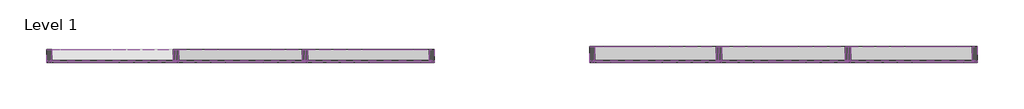
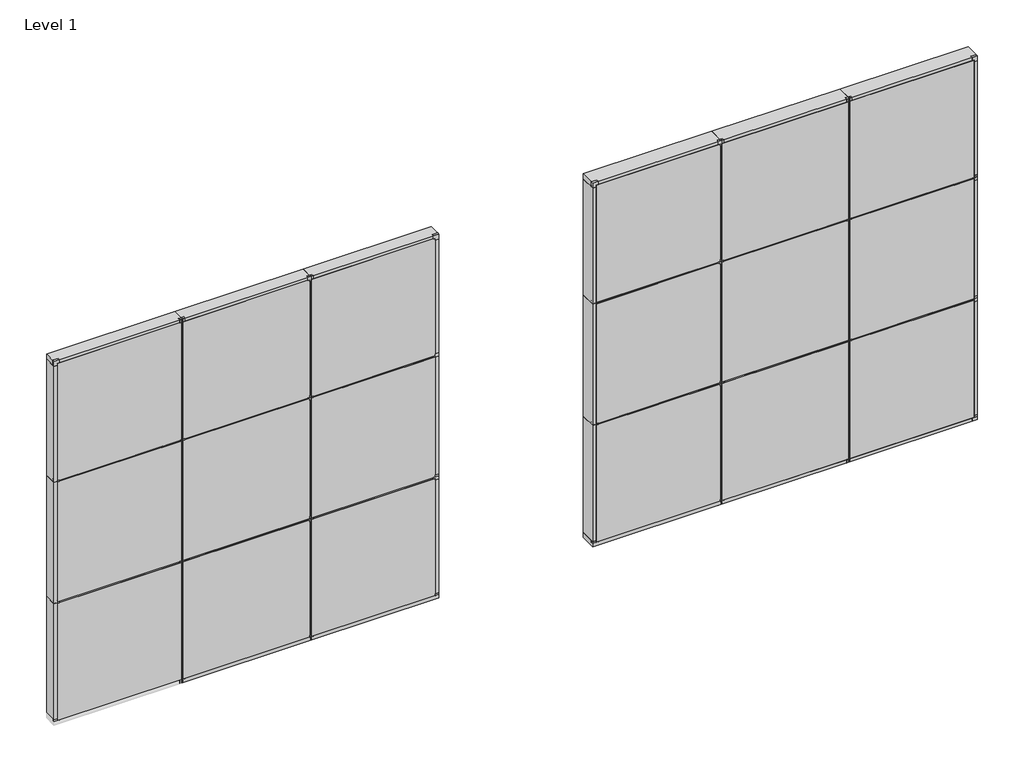
# One storey, part 2 of 2: 47 members, 18 plates.
"""IFC4 building model written with IfcOpenShell, lengths in millimetres."""

import ifcopenshell
import ifcopenshell.guid

model = None  # the IFC model being written
_history = None  # IfcOwnerHistory: only IFC2X3 demands one
_inside = {}  # id of a spatial element -> (the spatial element, [elements in it])
_under = {}  # id of a project, library or spatial element -> (it, [spatial elements below it])
_declared = {}  # id of a project -> (the project, [libraries it declares])
_typed = {}  # id of a type object -> (the type object, [elements of that type])
_made_of = {}  # id of a material, layer set ... -> (it, [elements and type objects made of it])


def new_model(schema):
    """Start an empty IFC model of exactly this schema.

    Asked for "IFC4X3", IfcOpenShell would pick the latest addendum, in which some entities
    have other attributes; the version numbers below select the first issue.
    IFC2X3 requires an IfcOwnerHistory on every rooted entity: one is made here for all.
    """
    global model, _history
    if schema == "IFC4X3":
        model = ifcopenshell.file(schema_version=(4, 3, 0, 0))
    else:
        model = ifcopenshell.file(schema=schema)
    _inside.clear()
    _under.clear()
    _declared.clear()
    _typed.clear()
    _made_of.clear()
    _history = None
    if model.schema == "IFC2X3":
        org = make("IfcOrganization", Name="unknown")
        user = make(
            "IfcPersonAndOrganization",
            ThePerson=make("IfcPerson", FamilyName="unknown"),
            TheOrganization=org,
        )
        app = make(
            "IfcApplication",
            ApplicationDeveloper=org,
            Version="unknown",
            ApplicationFullName="unknown",
            ApplicationIdentifier="unknown",
        )
        _history = make(
            "IfcOwnerHistory",
            OwningUser=user,
            OwningApplication=app,
            ChangeAction="ADDED",
            CreationDate=0,
        )
    return model


def make(cls, **values):
    """One entity of the class cls with the attributes given. An attribute that is None is left unset."""
    return model.create_entity(
        cls, **{name: value for name, value in values.items() if value is not None}
    )


def rooted(cls, **values):
    """An entity with a GlobalId (a new one), such as an element, a storey or a relation."""
    return make(cls, GlobalId=ifcopenshell.guid.new(), OwnerHistory=_history, **values)


def si_unit(unit_type, name, prefix=None):
    """IfcSIUnit, for example si_unit("LENGTHUNIT", "METRE", prefix="MILLI")."""
    return make("IfcSIUnit", UnitType=unit_type, Prefix=prefix, Name=name)


def assignment(units):
    """IfcUnitAssignment: the units of a project."""
    return None if units is None else make("IfcUnitAssignment", Units=units)


def point(xyz):
    """IfcCartesianPoint."""
    return None if xyz is None else make("IfcCartesianPoint", Coordinates=xyz)


def direction(xyz):
    """IfcDirection."""
    return None if xyz is None else make("IfcDirection", DirectionRatios=xyz)


def frame(location, z_axis=None, x_axis=None):
    """IfcAxis2Placement3D, a coordinate frame: its origin and axes. An axis left out is left unset."""
    return make(
        "IfcAxis2Placement3D",
        Location=point(location),
        Axis=direction(z_axis),
        RefDirection=direction(x_axis),
    )


def origin():
    """The frame at (0, 0, 0) with its axes left unset."""
    return frame((0.0, 0.0, 0.0))


def origin_with_axes():
    """The frame at (0, 0, 0) with the z axis (0, 0, 1) and the x axis (1, 0, 0) written out."""
    return frame((0.0, 0.0, 0.0), z_axis=(0.0, 0.0, 1.0), x_axis=(1.0, 0.0, 0.0))


def place(relative_to, where):
    """IfcLocalPlacement: puts the frame where relative to a parent placement (None: the world)."""
    return make(
        "IfcLocalPlacement", PlacementRelTo=relative_to, RelativePlacement=where
    )


def context(
    kind, dimensions, precision=None, world=None, true_north=None, identifier=None
):
    """IfcGeometricRepresentationContext, for example the 3D "Model" context."""
    return make(
        "IfcGeometricRepresentationContext",
        ContextIdentifier=identifier,
        ContextType=kind,
        CoordinateSpaceDimension=dimensions,
        Precision=precision,
        WorldCoordinateSystem=world,
        TrueNorth=true_north,
    )


def project(units=None, contexts=None):
    """IfcProject with its units and contexts."""
    return rooted(
        "IfcProject",
        Name="project",
        RepresentationContexts=contexts,
        UnitsInContext=assignment(units),
    )


def spatial(cls, under=None, at=None, **own):
    """A site, building, storey or space (cls), placed at a placement, below another one or the project."""
    s = rooted(cls, ObjectPlacement=at, **own)
    if under is not None:
        _under.setdefault(under.id(), (under, []))[1].append(s)
    return s


def polyline(points):
    """IfcPolyline through the points."""
    return make("IfcPolyline", Points=[point(p) for p in points])


def outline(outer, holes=None, kind="AREA"):
    """IfcArbitraryClosedProfileDef: a profile drawn as a closed curve; with holes, ...WithVoids."""
    if holes is None:
        return make("IfcArbitraryClosedProfileDef", ProfileType=kind, OuterCurve=outer)
    return make(
        "IfcArbitraryProfileDefWithVoids",
        ProfileType=kind,
        OuterCurve=outer,
        InnerCurves=holes,
    )


def extrude(swept, where, along, depth):
    """IfcExtrudedAreaSolid: the profile swept, set in the frame where, extruded along a direction by depth."""
    return make(
        "IfcExtrudedAreaSolid",
        SweptArea=swept,
        Position=where,
        ExtrudedDirection=direction(along),
        Depth=depth,
    )


def shape(context_of_items, identifier, shape_type, items):
    """IfcShapeRepresentation: the items that make up one representation, for example the "Body"."""
    return make(
        "IfcShapeRepresentation",
        ContextOfItems=context_of_items,
        RepresentationIdentifier=identifier,
        RepresentationType=shape_type,
        Items=items,
    )


def source(mapping_origin, context_of_items, identifier, shape_type, items):
    """IfcRepresentationMap: a shape defined once, which mapped items show again and again."""
    return make(
        "IfcRepresentationMap",
        MappingOrigin=mapping_origin,
        MappedRepresentation=shape(context_of_items, identifier, shape_type, items),
    )


def transform(
    local_origin,
    x_axis=None,
    y_axis=None,
    z_axis=None,
    scale=None,
    scale2=None,
    scale3=None,
    uniform=True,
):
    """IfcCartesianTransformationOperator3D, or its non-uniform kind. x_axis, y_axis, z_axis: its Axis1, 2, 3."""
    if uniform:
        return make(
            "IfcCartesianTransformationOperator3D",
            Axis1=direction(x_axis),
            Axis2=direction(y_axis),
            LocalOrigin=point(local_origin),
            Scale=scale,
            Axis3=direction(z_axis),
        )
    return make(
        "IfcCartesianTransformationOperator3DnonUniform",
        Axis1=direction(x_axis),
        Axis2=direction(y_axis),
        LocalOrigin=point(local_origin),
        Scale=scale,
        Axis3=direction(z_axis),
        Scale2=scale2,
        Scale3=scale3,
    )


def mapped(mapping_source, mapping_target):
    """IfcMappedItem: shows the shape of a source again, moved by a transform."""
    return make(
        "IfcMappedItem", MappingSource=mapping_source, MappingTarget=mapping_target
    )


def made_of(thing, what):
    """Note that an element or type object is made of a material, layer set ...; save() writes the relation."""
    if what is not None:
        _made_of.setdefault(what.id(), (what, []))[1].append(thing)
    return thing


def element(
    cls,
    number,
    at=None,
    inside=None,
    cuts=None,
    type_object=None,
    material=None,
    context=None,
    identifier="Body",
    shape_type=None,
    held_by="IfcProductDefinitionShape",
    body=None,
    shapes=None,
    **own,
):
    """One element of the class cls, such as IfcWall. Its Tag is "e" and its number.

    at: its placement. inside: the storey or other place that contains it. cuts: it is an
    opening in that element (IfcRelVoidsElement). A single representation is given by context,
    identifier, shape_type and body (its items); several are given by shapes. held_by: the class
    of the entity that holds the representations. save() writes the other relations.
    """
    e = rooted(cls, Tag="e%d" % number, ObjectPlacement=at, **own)
    if body is not None:
        shapes = [shape(context, identifier, shape_type, body)]
    if shapes is not None:
        e.Representation = make(held_by, Representations=shapes)
    if inside is not None:
        _inside.setdefault(inside.id(), (inside, []))[1].append(e)
    if cuts is not None:
        rooted(
            "IfcRelVoidsElement", RelatingBuildingElement=cuts, RelatedOpeningElement=e
        )
    if type_object is not None:
        _typed.setdefault(type_object.id(), (type_object, []))[1].append(e)
    return made_of(e, material)


def aggregate(whole, parts):
    """IfcRelAggregates: a whole, such as a stair, and the parts it consists of."""
    return rooted("IfcRelAggregates", RelatingObject=whole, RelatedObjects=parts)


def save(model, path):
    """Write the relations noted so far, then the file.

    IfcRelAggregates (storeys below a building ...), IfcRelContainedInSpatialStructure (elements
    in a storey), IfcRelDefinesByType, IfcRelAssociatesMaterial and IfcRelDeclares: one each for
    every whole, place, type object, material and project.
    """
    for whole, parts in _under.values():
        aggregate(whole, parts)
    for where, things in _inside.values():
        rooted(
            "IfcRelContainedInSpatialStructure",
            RelatedElements=things,
            RelatingStructure=where,
        )
    for kind, things in _typed.values():
        rooted("IfcRelDefinesByType", RelatedObjects=things, RelatingType=kind)
    for what, things in _made_of.values():
        rooted("IfcRelAssociatesMaterial", RelatedObjects=things, RelatingMaterial=what)
    for by, libraries in _declared.values():
        rooted("IfcRelDeclares", RelatingContext=by, RelatedDefinitions=libraries)
    model.write(path)


def rectangular_mullion_kawneer_ssi_4_head_660df06f(model_context):
    return source(origin(), model_context, "Body", "SweptSolid", [
        extrude(outline(polyline([(-63.5, -139.7), (-63.5, -12.7), (-39.6875, -12.7), (-39.6875, 12.7), (0.0, 12.7), (0.0, -139.7), (-63.5, -139.7)])), frame((0.0, 0.0, -1524.0), z_axis=(0.0, 0.0, 1.0), x_axis=(1.0, 0.0, 0.0)), (0.0, 0.0, 1.0), 1524.0),
    ])


def rectangular_mullion_kawneer_ssi_4_jamb_left_18e16dff(model_context):
    return source(origin(), model_context, "Body", "SweptSolid", [
        extrude(outline(polyline([(0.0, -139.7), (-63.5, -139.7), (-63.5, -12.7), (-39.6875, -12.7), (-39.6875, 12.7), (0.0, 12.7), (0.0, -139.7)])), frame((0.0, 0.0, -1460.5), z_axis=(0.0, 0.0, 1.0), x_axis=(1.0, 0.0, 0.0)), (0.0, 0.0, 1.0), 1460.5),
    ])


def rectangular_mullion_kawneer_ssi_4_jamb_left_ddd66263(model_context):
    return source(origin(), model_context, "Body", "SweptSolid", [
        extrude(outline(polyline([(0.0, -139.7), (-63.5, -139.7), (-63.5, -12.7), (-39.6875, -12.7), (-39.6875, 12.7), (0.0, 12.7), (0.0, -139.7)])), frame((0.0, 0.0, -1524.0), z_axis=(0.0, 0.0, 1.0), x_axis=(1.0, 0.0, 0.0)), (0.0, 0.0, 1.0), 1524.0),
    ])


def rectangular_mullion_kawneer_ssi_4_jamb_right_f3f4a032(model_context):
    return source(origin(), model_context, "Body", "SweptSolid", [
        extrude(outline(polyline([(-63.5, -139.7), (-63.5, -12.7), (-39.6875, -12.7), (-39.6875, 12.7), (0.0, 12.7), (0.0, -139.7), (-63.5, -139.7)])), frame((0.0, 0.0, -1460.5), z_axis=(0.0, 0.0, 1.0), x_axis=(1.0, 0.0, 0.0)), (0.0, 0.0, 1.0), 1460.5),
    ])


def rectangular_mullion_kawneer_ssi_4_mullion_985e64d7(model_context):
    return source(origin(), model_context, "Body", "SweptSolid", [
        extrude(outline(polyline([(-31.75, -139.7), (-31.75, -12.7), (-7.9375, -12.7), (-7.9375, 12.7), (7.9375, 12.7), (7.9375, -12.7), (31.75, -12.7), (31.75, -139.7), (-31.75, -139.7)])), frame((0.0, 0.0, -1428.75), z_axis=(0.0, 0.0, 1.0), x_axis=(1.0, 0.0, 0.0)), (0.0, 0.0, 1.0), 1428.75),
    ])


def rectangular_mullion_kawneer_ssi_4_mullion_e713462f(model_context):
    return source(origin(), model_context, "Body", "SweptSolid", [
        extrude(outline(polyline([(-31.75, -139.7), (-31.75, -12.7), (-7.9375, -12.7), (-7.9375, 12.7), (7.9375, 12.7), (7.9375, -12.7), (31.75, -12.7), (31.75, -139.7), (-31.75, -139.7)])), frame((0.0, 0.0, -1460.5), z_axis=(0.0, 0.0, 1.0), x_axis=(1.0, 0.0, 0.0)), (0.0, 0.0, 1.0), 1460.5),
    ])


def rectangular_mullion_kawneer_ssi_4_mullion_f361b3e5(model_context):
    return source(origin(), model_context, "Body", "SweptSolid", [
        extrude(outline(polyline([(-31.75, -139.7), (-31.75, -12.7), (-7.9375, -12.7), (-7.9375, 12.7), (7.9375, 12.7), (7.9375, -12.7), (31.75, -12.7), (31.75, -139.7), (-31.75, -139.7)])), frame((0.0, 0.0, -1492.25), z_axis=(0.0, 0.0, 1.0), x_axis=(1.0, 0.0, 0.0)), (0.0, 0.0, 1.0), 1492.25),
    ])


def rectangular_mullion_kawneer_ssi_4_mullion_acfb7317(model_context):
    return source(origin(), model_context, "Body", "SweptSolid", [
        extrude(outline(polyline([(-31.75, -139.7), (-31.75, -12.7), (-7.9375, -12.7), (-7.9375, 12.7), (7.9375, 12.7), (7.9375, -12.7), (31.75, -12.7), (31.75, -139.7), (-31.75, -139.7)])), frame((0.0, 0.0, -1524.0), z_axis=(0.0, 0.0, 1.0), x_axis=(1.0, 0.0, 0.0)), (0.0, 0.0, 1.0), 1524.0),
    ])


def rectangular_mullion_kawneer_ssi_5_head_675211ed(model_context):
    return source(origin(), model_context, "Body", "SweptSolid", [
        extrude(outline(polyline([(-63.5, -177.8), (-63.5, -12.7), (-39.6875, -12.7), (-39.6875, 12.7), (0.0, 12.7), (0.0, -177.8), (-63.5, -177.8)])), frame((0.0, 0.0, -1524.0), z_axis=(0.0, 0.0, 1.0), x_axis=(1.0, 0.0, 0.0)), (0.0, 0.0, 1.0), 1524.0),
    ])


def rectangular_mullion_kawneer_ssi_5_jamb_left_5aa77426(model_context):
    return source(origin(), model_context, "Body", "SweptSolid", [
        extrude(outline(polyline([(0.0, -177.8), (-63.5, -177.8), (-63.5, -12.7), (-39.6875, -12.7), (-39.6875, 12.7), (0.0, 12.7), (0.0, -177.8)])), frame((0.0, 0.0, -1460.5), z_axis=(0.0, 0.0, 1.0), x_axis=(1.0, 0.0, 0.0)), (0.0, 0.0, 1.0), 1460.5),
    ])


def rectangular_mullion_kawneer_ssi_5_jamb_left_60fe9301(model_context):
    return source(origin(), model_context, "Body", "SweptSolid", [
        extrude(outline(polyline([(0.0, -177.8), (-63.5, -177.8), (-63.5, -12.7), (-39.6875, -12.7), (-39.6875, 12.7), (0.0, 12.7), (0.0, -177.8)])), frame((0.0, 0.0, -1524.0), z_axis=(0.0, 0.0, 1.0), x_axis=(1.0, 0.0, 0.0)), (0.0, 0.0, 1.0), 1524.0),
    ])


def rectangular_mullion_kawneer_ssi_5_jamb_right_23c43a9b(model_context):
    return source(origin(), model_context, "Body", "SweptSolid", [
        extrude(outline(polyline([(-63.5, -177.8), (-63.5, -12.7), (-39.6875, -12.7), (-39.6875, 12.7), (0.0, 12.7), (0.0, -177.8), (-63.5, -177.8)])), frame((0.0, 0.0, -1460.5), z_axis=(0.0, 0.0, 1.0), x_axis=(1.0, 0.0, 0.0)), (0.0, 0.0, 1.0), 1460.5),
    ])


def rectangular_mullion_kawneer_ssi_5_mullion_8eab82b8(model_context):
    return source(origin(), model_context, "Body", "SweptSolid", [
        extrude(outline(polyline([(-31.75, -177.8), (-31.75, -12.7), (-7.9375, -12.7), (-7.9375, 12.7), (7.9375, 12.7), (7.9375, -12.7), (31.75, -12.7), (31.75, -177.8), (-31.75, -177.8)])), frame((0.0, 0.0, -1428.75), z_axis=(0.0, 0.0, 1.0), x_axis=(1.0, 0.0, 0.0)), (0.0, 0.0, 1.0), 1428.75),
    ])


def rectangular_mullion_kawneer_ssi_5_mullion_14ed454c(model_context):
    return source(origin(), model_context, "Body", "SweptSolid", [
        extrude(outline(polyline([(-31.75, -177.8), (-31.75, -12.7), (-7.9375, -12.7), (-7.9375, 12.7), (7.9375, 12.7), (7.9375, -12.7), (31.75, -12.7), (31.75, -177.8), (-31.75, -177.8)])), frame((0.0, 0.0, -1460.5), z_axis=(0.0, 0.0, 1.0), x_axis=(1.0, 0.0, 0.0)), (0.0, 0.0, 1.0), 1460.5),
    ])


def rectangular_mullion_kawneer_ssi_5_mullion_d35cede0(model_context):
    return source(origin(), model_context, "Body", "SweptSolid", [
        extrude(outline(polyline([(-31.75, -177.8), (-31.75, -12.7), (-7.9375, -12.7), (-7.9375, 12.7), (7.9375, 12.7), (7.9375, -12.7), (31.75, -12.7), (31.75, -177.8), (-31.75, -177.8)])), frame((0.0, 0.0, -1524.0), z_axis=(0.0, 0.0, 1.0), x_axis=(1.0, 0.0, 0.0)), (0.0, 0.0, 1.0), 1524.0),
    ])


def plate_1694a2e7(model_context):
    return source(origin(), model_context, "Body", "SweptSolid", [
        extrude(outline(polyline([(-39.6875, 714.375), (-39.6875, 754.0625), (23.8125, 754.0625), (23.8125, 738.1875), (0.0, 738.1875), (0.0, 714.375), (-39.6875, 714.375)])), frame((0.0, -12.7327949, 0.0), z_axis=(0.0, 1.0, 0.0), x_axis=(0.0, 0.0, 1.0)), (0.0, 0.0, 1.0), 25.4),
        extrude(outline(polyline([(-39.6875, -714.375), (0.0, -714.375), (0.0, -738.1875), (23.8125, -738.1875), (23.8125, -777.875), (-39.6875, -777.875), (-39.6875, -714.375)])), frame((0.0, -12.7327949, 0.0), z_axis=(0.0, 1.0, 0.0), x_axis=(0.0, 0.0, 1.0)), (0.0, 0.0, 1.0), 25.4),
        extrude(outline(polyline([(1492.25, -714.375), (1492.25, -777.875), (1452.5625, -777.875), (1452.5625, -738.1875), (1476.375, -738.1875), (1476.375, -714.375), (1492.25, -714.375)])), frame((0.0, -12.7327949, 0.0), z_axis=(0.0, 1.0, 0.0), x_axis=(0.0, 0.0, 1.0)), (0.0, 0.0, 1.0), 25.4),
        extrude(outline(polyline([(738.1875, 12.6672051), (738.1875, -12.7327949), (-738.1875, -12.7327949), (-738.1875, 12.6672051), (738.1875, 12.6672051)])), origin_with_axes(), (0.0, 0.0, 1.0), 1476.375),
    ])


def plate_8f40379f(model_context):
    return source(origin(), model_context, "Body", "SweptSolid", [
        extrude(outline(polyline([(-39.6875, 714.375), (-39.6875, 754.0625), (23.8125, 754.0625), (23.8125, 738.1875), (0.0, 738.1875), (0.0, 714.375), (-39.6875, 714.375)])), frame((0.0, -12.7327949, 0.0), z_axis=(0.0, 1.0, 0.0), x_axis=(0.0, 0.0, 1.0)), (0.0, 0.0, 1.0), 25.4),
        extrude(outline(polyline([(-39.6875, -714.375), (0.0, -714.375), (0.0, -738.1875), (23.8125, -738.1875), (23.8125, -777.875), (-39.6875, -777.875), (-39.6875, -714.375)])), frame((0.0, -12.7327949, 0.0), z_axis=(0.0, 1.0, 0.0), x_axis=(0.0, 0.0, 1.0)), (0.0, 0.0, 1.0), 25.4),
        extrude(outline(polyline([(1492.25, 714.375), (1476.375, 714.375), (1476.375, 738.1875), (1452.5625, 738.1875), (1452.5625, 754.0625), (1492.25, 754.0625), (1492.25, 714.375)])), frame((0.0, -12.7327949, 0.0), z_axis=(0.0, 1.0, 0.0), x_axis=(0.0, 0.0, 1.0)), (0.0, 0.0, 1.0), 25.4),
        extrude(outline(polyline([(1492.25, -714.375), (1492.25, -777.875), (1452.5625, -777.875), (1452.5625, -738.1875), (1476.375, -738.1875), (1476.375, -714.375), (1492.25, -714.375)])), frame((0.0, -12.7327949, 0.0), z_axis=(0.0, 1.0, 0.0), x_axis=(0.0, 0.0, 1.0)), (0.0, 0.0, 1.0), 25.4),
        extrude(outline(polyline([(738.1875, 12.6672051), (738.1875, -12.7327949), (-738.1875, -12.7327949), (-738.1875, 12.6672051), (738.1875, 12.6672051)])), origin_with_axes(), (0.0, 0.0, 1.0), 1476.375),
    ])


def plate_783c250f(model_context):
    return source(origin(), model_context, "Body", "SweptSolid", [
        extrude(outline(polyline([(-39.6875, 714.375), (-39.6875, 777.875), (23.8125, 777.875), (23.8125, 738.1875), (0.0, 738.1875), (0.0, 714.375), (-39.6875, 714.375)])), frame((0.0, -12.7327949, 0.0), z_axis=(0.0, 1.0, 0.0), x_axis=(0.0, 0.0, 1.0)), (0.0, 0.0, 1.0), 25.4),
        extrude(outline(polyline([(-39.6875, -714.375), (0.0, -714.375), (0.0, -738.1875), (23.8125, -738.1875), (23.8125, -754.0625), (-39.6875, -754.0625), (-39.6875, -714.375)])), frame((0.0, -12.7327949, 0.0), z_axis=(0.0, 1.0, 0.0), x_axis=(0.0, 0.0, 1.0)), (0.0, 0.0, 1.0), 25.4),
        extrude(outline(polyline([(1492.25, 714.375), (1476.375, 714.375), (1476.375, 738.1875), (1452.5625, 738.1875), (1452.5625, 777.875), (1492.25, 777.875), (1492.25, 714.375)])), frame((0.0, -12.7327949, 0.0), z_axis=(0.0, 1.0, 0.0), x_axis=(0.0, 0.0, 1.0)), (0.0, 0.0, 1.0), 25.4),
        extrude(outline(polyline([(1492.25, -714.375), (1492.25, -754.0625), (1452.5625, -754.0625), (1452.5625, -738.1875), (1476.375, -738.1875), (1476.375, -714.375), (1492.25, -714.375)])), frame((0.0, -12.7327949, 0.0), z_axis=(0.0, 1.0, 0.0), x_axis=(0.0, 0.0, 1.0)), (0.0, 0.0, 1.0), 25.4),
        extrude(outline(polyline([(738.1875, 12.6672051), (738.1875, -12.7327949), (-738.1875, -12.7327949), (-738.1875, 12.6672051), (738.1875, 12.6672051)])), origin_with_axes(), (0.0, 0.0, 1.0), 1476.375),
    ])


def plate_e9f94726(model_context):
    return source(origin(), model_context, "Body", "SweptSolid", [
        extrude(outline(polyline([(-39.6875, 730.25), (-39.6875, 769.9375), (23.8125, 769.9375), (23.8125, 754.0625), (0.0, 754.0625), (0.0, 730.25), (-39.6875, 730.25)])), frame((0.0, -12.7327949, 0.0), z_axis=(0.0, 1.0, 0.0), x_axis=(0.0, 0.0, 1.0)), (0.0, 0.0, 1.0), 25.4),
        extrude(outline(polyline([(-39.6875, -730.25), (0.0, -730.25), (0.0, -754.0625), (23.8125, -754.0625), (23.8125, -769.9375), (-39.6875, -769.9375), (-39.6875, -730.25)])), frame((0.0, -12.7327949, 0.0), z_axis=(0.0, 1.0, 0.0), x_axis=(0.0, 0.0, 1.0)), (0.0, 0.0, 1.0), 25.4),
        extrude(outline(polyline([(1492.25, 730.25), (1476.375, 730.25), (1476.375, 754.0625), (1452.5625, 754.0625), (1452.5625, 769.9375), (1492.25, 769.9375), (1492.25, 730.25)])), frame((0.0, -12.7327949, 0.0), z_axis=(0.0, 1.0, 0.0), x_axis=(0.0, 0.0, 1.0)), (0.0, 0.0, 1.0), 25.4),
        extrude(outline(polyline([(1492.25, -730.25), (1492.25, -769.9375), (1452.5625, -769.9375), (1452.5625, -754.0625), (1476.375, -754.0625), (1476.375, -730.25), (1492.25, -730.25)])), frame((0.0, -12.7327949, 0.0), z_axis=(0.0, 1.0, 0.0), x_axis=(0.0, 0.0, 1.0)), (0.0, 0.0, 1.0), 25.4),
        extrude(outline(polyline([(754.0625, 12.6672051), (754.0625, -12.7327949), (-754.0625, -12.7327949), (-754.0625, 12.6672051), (754.0625, 12.6672051)])), origin_with_axes(), (0.0, 0.0, 1.0), 1476.375),
    ])


def plate_ff9a52b5(model_context):
    return source(origin(), model_context, "Body", "SweptSolid", [
        extrude(outline(polyline([(-15.875, 714.375), (-15.875, 754.0625), (23.8125, 754.0625), (23.8125, 738.1875), (0.0, 738.1875), (0.0, 714.375), (-15.875, 714.375)])), frame((0.0, -12.7327949, 0.0), z_axis=(0.0, 1.0, 0.0), x_axis=(0.0, 0.0, 1.0)), (0.0, 0.0, 1.0), 25.4),
        extrude(outline(polyline([(-15.875, -714.375), (0.0, -714.375), (0.0, -738.1875), (23.8125, -738.1875), (23.8125, -777.875), (-15.875, -777.875), (-15.875, -714.375)])), frame((0.0, -12.7327949, 0.0), z_axis=(0.0, 1.0, 0.0), x_axis=(0.0, 0.0, 1.0)), (0.0, 0.0, 1.0), 25.4),
        extrude(outline(polyline([(1524.0, 714.375), (1508.125, 714.375), (1508.125, 738.1875), (1484.3125, 738.1875), (1484.3125, 754.0625), (1524.0, 754.0625), (1524.0, 714.375)])), frame((0.0, -12.7327949, 0.0), z_axis=(0.0, 1.0, 0.0), x_axis=(0.0, 0.0, 1.0)), (0.0, 0.0, 1.0), 25.4),
        extrude(outline(polyline([(1524.0, -714.375), (1524.0, -777.875), (1484.3125, -777.875), (1484.3125, -738.1875), (1508.125, -738.1875), (1508.125, -714.375), (1524.0, -714.375)])), frame((0.0, -12.7327949, 0.0), z_axis=(0.0, 1.0, 0.0), x_axis=(0.0, 0.0, 1.0)), (0.0, 0.0, 1.0), 25.4),
        extrude(outline(polyline([(738.1875, 12.6672051), (738.1875, -12.7327949), (-738.1875, -12.7327949), (-738.1875, 12.6672051), (738.1875, 12.6672051)])), origin_with_axes(), (0.0, 0.0, 1.0), 1508.125),
    ])


def plate_f420c981(model_context):
    return source(origin(), model_context, "Body", "SweptSolid", [
        extrude(outline(polyline([(-15.875, 714.375), (-15.875, 777.875), (23.8125, 777.875), (23.8125, 738.1875), (0.0, 738.1875), (0.0, 714.375), (-15.875, 714.375)])), frame((0.0, -12.7327949, 0.0), z_axis=(0.0, 1.0, 0.0), x_axis=(0.0, 0.0, 1.0)), (0.0, 0.0, 1.0), 25.4),
        extrude(outline(polyline([(-15.875, -714.375), (0.0, -714.375), (0.0, -738.1875), (23.8125, -738.1875), (23.8125, -754.0625), (-15.875, -754.0625), (-15.875, -714.375)])), frame((0.0, -12.7327949, 0.0), z_axis=(0.0, 1.0, 0.0), x_axis=(0.0, 0.0, 1.0)), (0.0, 0.0, 1.0), 25.4),
        extrude(outline(polyline([(1524.0, -714.375), (1524.0, -754.0625), (1484.3125, -754.0625), (1484.3125, -738.1875), (1508.125, -738.1875), (1508.125, -714.375), (1524.0, -714.375)])), frame((0.0, -12.7327949, 0.0), z_axis=(0.0, 1.0, 0.0), x_axis=(0.0, 0.0, 1.0)), (0.0, 0.0, 1.0), 25.4),
        extrude(outline(polyline([(738.1875, 12.6672051), (738.1875, -12.7327949), (-738.1875, -12.7327949), (-738.1875, 12.6672051), (738.1875, 12.6672051)])), origin_with_axes(), (0.0, 0.0, 1.0), 1508.125),
    ])


def plate_d3679e99(model_context):
    return source(origin(), model_context, "Body", "SweptSolid", [
        extrude(outline(polyline([(-15.875, 714.375), (-15.875, 777.875), (23.8125, 777.875), (23.8125, 738.1875), (0.0, 738.1875), (0.0, 714.375), (-15.875, 714.375)])), frame((0.0, -12.7327949, 0.0), z_axis=(0.0, 1.0, 0.0), x_axis=(0.0, 0.0, 1.0)), (0.0, 0.0, 1.0), 25.4),
        extrude(outline(polyline([(-15.875, -714.375), (0.0, -714.375), (0.0, -738.1875), (23.8125, -738.1875), (23.8125, -754.0625), (-15.875, -754.0625), (-15.875, -714.375)])), frame((0.0, -12.7327949, 0.0), z_axis=(0.0, 1.0, 0.0), x_axis=(0.0, 0.0, 1.0)), (0.0, 0.0, 1.0), 25.4),
        extrude(outline(polyline([(1524.0, 714.375), (1508.125, 714.375), (1508.125, 738.1875), (1484.3125, 738.1875), (1484.3125, 777.875), (1524.0, 777.875), (1524.0, 714.375)])), frame((0.0, -12.7327949, 0.0), z_axis=(0.0, 1.0, 0.0), x_axis=(0.0, 0.0, 1.0)), (0.0, 0.0, 1.0), 25.4),
        extrude(outline(polyline([(1524.0, -714.375), (1524.0, -754.0625), (1484.3125, -754.0625), (1484.3125, -738.1875), (1508.125, -738.1875), (1508.125, -714.375), (1524.0, -714.375)])), frame((0.0, -12.7327949, 0.0), z_axis=(0.0, 1.0, 0.0), x_axis=(0.0, 0.0, 1.0)), (0.0, 0.0, 1.0), 25.4),
        extrude(outline(polyline([(738.1875, 12.6672051), (738.1875, -12.7327949), (-738.1875, -12.7327949), (-738.1875, 12.6672051), (738.1875, 12.6672051)])), origin_with_axes(), (0.0, 0.0, 1.0), 1508.125),
    ])


def plate_96247972(model_context):
    return source(origin(), model_context, "Body", "SweptSolid", [
        extrude(outline(polyline([(-15.875, 730.25), (-15.875, 769.9375), (23.8125, 769.9375), (23.8125, 754.0625), (0.0, 754.0625), (0.0, 730.25), (-15.875, 730.25)])), frame((0.0, -12.7327949, 0.0), z_axis=(0.0, 1.0, 0.0), x_axis=(0.0, 0.0, 1.0)), (0.0, 0.0, 1.0), 25.4),
        extrude(outline(polyline([(-15.875, -730.25), (0.0, -730.25), (0.0, -754.0625), (23.8125, -754.0625), (23.8125, -769.9375), (-15.875, -769.9375), (-15.875, -730.25)])), frame((0.0, -12.7327949, 0.0), z_axis=(0.0, 1.0, 0.0), x_axis=(0.0, 0.0, 1.0)), (0.0, 0.0, 1.0), 25.4),
        extrude(outline(polyline([(1516.0625, 730.25), (1476.375, 730.25), (1476.375, 754.0625), (1452.5625, 754.0625), (1452.5625, 769.9375), (1516.0625, 769.9375), (1516.0625, 730.25)])), frame((0.0, -12.7327949, 0.0), z_axis=(0.0, 1.0, 0.0), x_axis=(0.0, 0.0, 1.0)), (0.0, 0.0, 1.0), 25.4),
        extrude(outline(polyline([(1516.0625, -730.25), (1516.0625, -769.9375), (1452.5625, -769.9375), (1452.5625, -754.0625), (1476.375, -754.0625), (1476.375, -730.25), (1516.0625, -730.25)])), frame((0.0, -12.7327949, 0.0), z_axis=(0.0, 1.0, 0.0), x_axis=(0.0, 0.0, 1.0)), (0.0, 0.0, 1.0), 25.4),
        extrude(outline(polyline([(754.0625, 12.6672051), (754.0625, -12.7327949), (-754.0625, -12.7327949), (-754.0625, 12.6672051), (754.0625, 12.6672051)])), origin_with_axes(), (0.0, 0.0, 1.0), 1476.375),
    ])


def plate_3675e8c3(model_context):
    return source(origin(), model_context, "Body", "SweptSolid", [
        extrude(outline(polyline([(-15.875, 730.25), (-15.875, 769.9375), (23.8125, 769.9375), (23.8125, 754.0625), (0.0, 754.0625), (0.0, 730.25), (-15.875, 730.25)])), frame((0.0, -12.7327949, 0.0), z_axis=(0.0, 1.0, 0.0), x_axis=(0.0, 0.0, 1.0)), (0.0, 0.0, 1.0), 25.4),
        extrude(outline(polyline([(-15.875, -730.25), (0.0, -730.25), (0.0, -754.0625), (23.8125, -754.0625), (23.8125, -769.9375), (-15.875, -769.9375), (-15.875, -730.25)])), frame((0.0, -12.7327949, 0.0), z_axis=(0.0, 1.0, 0.0), x_axis=(0.0, 0.0, 1.0)), (0.0, 0.0, 1.0), 25.4),
        extrude(outline(polyline([(1524.0, 730.25), (1508.125, 730.25), (1508.125, 754.0625), (1484.3125, 754.0625), (1484.3125, 769.9375), (1524.0, 769.9375), (1524.0, 730.25)])), frame((0.0, -12.7327949, 0.0), z_axis=(0.0, 1.0, 0.0), x_axis=(0.0, 0.0, 1.0)), (0.0, 0.0, 1.0), 25.4),
        extrude(outline(polyline([(1524.0, -730.25), (1524.0, -769.9375), (1484.3125, -769.9375), (1484.3125, -754.0625), (1508.125, -754.0625), (1508.125, -730.25), (1524.0, -730.25)])), frame((0.0, -12.7327949, 0.0), z_axis=(0.0, 1.0, 0.0), x_axis=(0.0, 0.0, 1.0)), (0.0, 0.0, 1.0), 25.4),
        extrude(outline(polyline([(754.0625, 12.6672051), (754.0625, -12.7327949), (-754.0625, -12.7327949), (-754.0625, 12.6672051), (754.0625, 12.6672051)])), origin_with_axes(), (0.0, 0.0, 1.0), 1508.125),
    ])


def plate_a24c73a8(model_context):
    return source(origin(), model_context, "Body", "SweptSolid", [
        extrude(outline(polyline([(-15.875, 714.375), (-15.875, 754.0625), (23.8125, 754.0625), (23.8125, 738.1875), (0.0, 738.1875), (0.0, 714.375), (-15.875, 714.375)])), frame((0.0, -12.7327949, 0.0), z_axis=(0.0, 1.0, 0.0), x_axis=(0.0, 0.0, 1.0)), (0.0, 0.0, 1.0), 25.4),
        extrude(outline(polyline([(-15.875, -714.375), (0.0, -714.375), (0.0, -738.1875), (23.8125, -738.1875), (23.8125, -777.875), (-15.875, -777.875), (-15.875, -714.375)])), frame((0.0, -12.7327949, 0.0), z_axis=(0.0, 1.0, 0.0), x_axis=(0.0, 0.0, 1.0)), (0.0, 0.0, 1.0), 25.4),
        extrude(outline(polyline([(1516.0625, 714.375), (1476.375, 714.375), (1476.375, 738.1875), (1452.5625, 738.1875), (1452.5625, 754.0625), (1516.0625, 754.0625), (1516.0625, 714.375)])), frame((0.0, -12.7327949, 0.0), z_axis=(0.0, 1.0, 0.0), x_axis=(0.0, 0.0, 1.0)), (0.0, 0.0, 1.0), 25.4),
        extrude(outline(polyline([(1516.0625, -714.375), (1516.0625, -777.875), (1452.5625, -777.875), (1452.5625, -738.1875), (1476.375, -738.1875), (1476.375, -714.375), (1516.0625, -714.375)])), frame((0.0, -12.7327949, 0.0), z_axis=(0.0, 1.0, 0.0), x_axis=(0.0, 0.0, 1.0)), (0.0, 0.0, 1.0), 25.4),
        extrude(outline(polyline([(738.1875, 12.6672051), (738.1875, -12.7327949), (-738.1875, -12.7327949), (-738.1875, 12.6672051), (738.1875, 12.6672051)])), origin_with_axes(), (0.0, 0.0, 1.0), 1476.375),
    ])


def plate_8234ca9d(model_context):
    return source(origin(), model_context, "Body", "SweptSolid", [
        extrude(outline(polyline([(-15.875, 714.375), (-15.875, 777.875), (23.8125, 777.875), (23.8125, 738.1875), (0.0, 738.1875), (0.0, 714.375), (-15.875, 714.375)])), frame((0.0, -12.7327949, 0.0), z_axis=(0.0, 1.0, 0.0), x_axis=(0.0, 0.0, 1.0)), (0.0, 0.0, 1.0), 25.4),
        extrude(outline(polyline([(-15.875, -714.375), (0.0, -714.375), (0.0, -738.1875), (23.8125, -738.1875), (23.8125, -754.0625), (-15.875, -754.0625), (-15.875, -714.375)])), frame((0.0, -12.7327949, 0.0), z_axis=(0.0, 1.0, 0.0), x_axis=(0.0, 0.0, 1.0)), (0.0, 0.0, 1.0), 25.4),
        extrude(outline(polyline([(1516.0625, 714.375), (1476.375, 714.375), (1476.375, 738.1875), (1452.5625, 738.1875), (1452.5625, 777.875), (1516.0625, 777.875), (1516.0625, 714.375)])), frame((0.0, -12.7327949, 0.0), z_axis=(0.0, 1.0, 0.0), x_axis=(0.0, 0.0, 1.0)), (0.0, 0.0, 1.0), 25.4),
        extrude(outline(polyline([(1516.0625, -714.375), (1516.0625, -754.0625), (1452.5625, -754.0625), (1452.5625, -738.1875), (1476.375, -738.1875), (1476.375, -714.375), (1516.0625, -714.375)])), frame((0.0, -12.7327949, 0.0), z_axis=(0.0, 1.0, 0.0), x_axis=(0.0, 0.0, 1.0)), (0.0, 0.0, 1.0), 25.4),
        extrude(outline(polyline([(738.1875, 12.6672051), (738.1875, -12.7327949), (-738.1875, -12.7327949), (-738.1875, 12.6672051), (738.1875, 12.6672051)])), origin_with_axes(), (0.0, 0.0, 1.0), 1476.375),
    ])


model = new_model("IFC4")

# Units and contexts
model_context = context("Model", 3, world=origin())
ifc_project = project(units=[si_unit("LENGTHUNIT", "METRE", prefix="MILLI")], contexts=[model_context])

# Site, building, storey
site = spatial("IfcSite", under=ifc_project)
building = spatial("IfcBuilding", under=site)
storey = spatial("IfcBuildingStorey", under=building, Name="Level 1", Elevation=0.0)

# Members
placement = place(None, origin())
rectangular_mullion_kawneer_ssi_4_head_shape = rectangular_mullion_kawneer_ssi_4_head_660df06f(model_context)
element("IfcMember", 1, ObjectType="Rectangular Mullion : Kawneer-SSI_4-Head", at=placement, inside=storey, context=model_context, shape_type="MappedRepresentation", body=[
    mapped(rectangular_mullion_kawneer_ssi_4_head_shape, transform((8421.6011692, 3927.8000412, 4572.0), x_axis=(0.0, 0.0, 1.0), y_axis=(0.0, -1.0, 0.0), z_axis=(1.0, 0.0, 0.0))),
])
element("IfcMember", 2, ObjectType="Rectangular Mullion : Kawneer-SSI_4-Head", at=placement, inside=storey, context=model_context, shape_type="MappedRepresentation", body=[
    mapped(rectangular_mullion_kawneer_ssi_4_head_shape, transform((5373.6011692, 3927.8000412, 4572.0), x_axis=(0.0, 0.0, 1.0), y_axis=(0.0, -1.0, 0.0), z_axis=(1.0, 0.0, 0.0))),
])
element("IfcMember", 3, ObjectType="Rectangular Mullion : Kawneer-SSI_4-Head", at=placement, inside=storey, context=model_context, shape_type="MappedRepresentation", body=[
    mapped(rectangular_mullion_kawneer_ssi_4_head_shape, transform((6897.6011692, 3927.8000412, 4572.0), x_axis=(0.0, 0.0, 1.0), y_axis=(0.0, -1.0, 0.0), z_axis=(1.0, 0.0, 0.0))),
])
rectangular_mullion_kawneer_ssi_4_jamb_left_shape = rectangular_mullion_kawneer_ssi_4_jamb_left_18e16dff(model_context)
element("IfcMember", 4, ObjectType="Rectangular Mullion : Kawneer-SSI_4-Jamb-Left", at=placement, inside=storey, context=model_context, shape_type="MappedRepresentation", body=[
    mapped(rectangular_mullion_kawneer_ssi_4_jamb_left_shape, transform((3849.6011692, 3927.8000412, 4508.5), x_axis=(-1.0, 0.0, 0.0), y_axis=(0.0, -1.0, 0.0), z_axis=(0.0, 0.0, 1.0))),
])
element("IfcMember", 5, ObjectType="Rectangular Mullion : Kawneer-SSI_4-Jamb-Left", at=placement, inside=storey, context=model_context, shape_type="MappedRepresentation", body=[
    mapped(rectangular_mullion_kawneer_ssi_4_jamb_left_shape, transform((3849.6011692, 3927.8000412, 1524.0), x_axis=(-1.0, 0.0, 0.0), y_axis=(0.0, -1.0, 0.0), z_axis=(0.0, 0.0, 1.0))),
])
rectangular_mullion_kawneer_ssi_4_jamb_left_2_shape = rectangular_mullion_kawneer_ssi_4_jamb_left_ddd66263(model_context)
element("IfcMember", 6, ObjectType="Rectangular Mullion : Kawneer-SSI_4-Jamb-Left", at=placement, inside=storey, context=model_context, shape_type="MappedRepresentation", body=[
    mapped(rectangular_mullion_kawneer_ssi_4_jamb_left_2_shape, transform((3849.6011692, 3927.8000412, 3048.0), x_axis=(-1.0, 0.0, 0.0), y_axis=(0.0, -1.0, 0.0), z_axis=(0.0, 0.0, 1.0))),
])
rectangular_mullion_kawneer_ssi_4_jamb_right_shape = rectangular_mullion_kawneer_ssi_4_jamb_right_f3f4a032(model_context)
element("IfcMember", 7, ObjectType="Rectangular Mullion : Kawneer-SSI_4-Jamb-Right", at=placement, inside=storey, context=model_context, shape_type="MappedRepresentation", body=[
    mapped(rectangular_mullion_kawneer_ssi_4_jamb_right_shape, transform((8421.6011692, 3927.8000412, 63.5), x_axis=(1.0, 0.0, 0.0), y_axis=(0.0, -1.0, 0.0), z_axis=(0.0, 0.0, -1.0))),
])
element("IfcMember", 8, ObjectType="Rectangular Mullion : Kawneer-SSI_4-Jamb-Right", at=placement, inside=storey, context=model_context, shape_type="MappedRepresentation", body=[
    mapped(rectangular_mullion_kawneer_ssi_4_head_shape, transform((8421.6011692, 3927.8000412, 1524.0), x_axis=(1.0, 0.0, 0.0), y_axis=(0.0, -1.0, 0.0), z_axis=(0.0, 0.0, -1.0))),
])
element("IfcMember", 9, ObjectType="Rectangular Mullion : Kawneer-SSI_4-Jamb-Right", at=placement, inside=storey, context=model_context, shape_type="MappedRepresentation", body=[
    mapped(rectangular_mullion_kawneer_ssi_4_jamb_right_shape, transform((8421.6011692, 3927.8000412, 3048.0), x_axis=(1.0, 0.0, 0.0), y_axis=(0.0, -1.0, 0.0), z_axis=(0.0, 0.0, -1.0))),
])
rectangular_mullion_kawneer_ssi_4_mullion_shape = rectangular_mullion_kawneer_ssi_4_mullion_985e64d7(model_context)
element("IfcMember", 10, ObjectType="Rectangular Mullion : Kawneer-SSI_4-Mullion", at=placement, inside=storey, context=model_context, shape_type="MappedRepresentation", body=[
    mapped(rectangular_mullion_kawneer_ssi_4_mullion_shape, transform((5341.8511692, 3927.8000412, 1524.0), x_axis=(0.0, 0.0, 1.0), y_axis=(0.0, -1.0, 0.0), z_axis=(1.0, 0.0, 0.0))),
])
element("IfcMember", 11, ObjectType="Rectangular Mullion : Kawneer-SSI_4-Mullion", at=placement, inside=storey, context=model_context, shape_type="MappedRepresentation", body=[
    mapped(rectangular_mullion_kawneer_ssi_4_mullion_shape, transform((8358.1011692, 3927.8000412, 1524.0), x_axis=(0.0, 0.0, 1.0), y_axis=(0.0, -1.0, 0.0), z_axis=(1.0, 0.0, 0.0))),
])
element("IfcMember", 12, ObjectType="Rectangular Mullion : Kawneer-SSI_4-Mullion", at=placement, inside=storey, context=model_context, shape_type="MappedRepresentation", body=[
    mapped(rectangular_mullion_kawneer_ssi_4_mullion_shape, transform((5341.8511692, 3927.8000412, 3048.0), x_axis=(0.0, 0.0, 1.0), y_axis=(0.0, -1.0, 0.0), z_axis=(1.0, 0.0, 0.0))),
])
rectangular_mullion_kawneer_ssi_4_mullion_2_shape = rectangular_mullion_kawneer_ssi_4_mullion_e713462f(model_context)
element("IfcMember", 13, ObjectType="Rectangular Mullion : Kawneer-SSI_4-Mullion", at=placement, inside=storey, context=model_context, shape_type="MappedRepresentation", body=[
    mapped(rectangular_mullion_kawneer_ssi_4_mullion_2_shape, transform((6865.8511692, 3927.8000412, 1524.0), x_axis=(0.0, 0.0, 1.0), y_axis=(0.0, -1.0, 0.0), z_axis=(1.0, 0.0, 0.0))),
])
rectangular_mullion_kawneer_ssi_4_mullion_3_shape = rectangular_mullion_kawneer_ssi_4_mullion_f361b3e5(model_context)
element("IfcMember", 14, ObjectType="Rectangular Mullion : Kawneer-SSI_4-Mullion", at=placement, inside=storey, context=model_context, shape_type="MappedRepresentation", body=[
    mapped(rectangular_mullion_kawneer_ssi_4_mullion_3_shape, transform((6897.6011692, 3927.8000412, 3048.0), x_axis=(0.0, 0.0, 1.0), y_axis=(0.0, -1.0, 0.0), z_axis=(1.0, 0.0, 0.0))),
])
element("IfcMember", 15, ObjectType="Rectangular Mullion : Kawneer-SSI_4-Mullion", at=placement, inside=storey, context=model_context, shape_type="MappedRepresentation", body=[
    mapped(rectangular_mullion_kawneer_ssi_4_mullion_2_shape, transform((8358.1011692, 3927.8000412, 3048.0), x_axis=(0.0, 0.0, 1.0), y_axis=(0.0, -1.0, 0.0), z_axis=(1.0, 0.0, 0.0))),
])
element("IfcMember", 16, ObjectType="Rectangular Mullion : Kawneer-SSI_4-Mullion", at=placement, inside=storey, context=model_context, shape_type="MappedRepresentation", body=[
    mapped(rectangular_mullion_kawneer_ssi_4_mullion_2_shape, transform((5373.6011692, 3927.8000412, 63.5), x_axis=(1.0, 0.0, 0.0), y_axis=(0.0, -1.0, 0.0), z_axis=(0.0, 0.0, -1.0))),
])
element("IfcMember", 17, ObjectType="Rectangular Mullion : Kawneer-SSI_4-Mullion", at=placement, inside=storey, context=model_context, shape_type="MappedRepresentation", body=[
    mapped(rectangular_mullion_kawneer_ssi_4_mullion_2_shape, transform((6897.6011692, 3927.8000412, 63.5), x_axis=(1.0, 0.0, 0.0), y_axis=(0.0, -1.0, 0.0), z_axis=(0.0, 0.0, -1.0))),
])
rectangular_mullion_kawneer_ssi_4_mullion_4_shape = rectangular_mullion_kawneer_ssi_4_mullion_acfb7317(model_context)
element("IfcMember", 18, ObjectType="Rectangular Mullion : Kawneer-SSI_4-Mullion", at=placement, inside=storey, context=model_context, shape_type="MappedRepresentation", body=[
    mapped(rectangular_mullion_kawneer_ssi_4_mullion_4_shape, transform((5373.6011692, 3927.8000412, 1524.0), x_axis=(1.0, 0.0, 0.0), y_axis=(0.0, -1.0, 0.0), z_axis=(0.0, 0.0, -1.0))),
])
element("IfcMember", 19, ObjectType="Rectangular Mullion : Kawneer-SSI_4-Mullion", at=placement, inside=storey, context=model_context, shape_type="MappedRepresentation", body=[
    mapped(rectangular_mullion_kawneer_ssi_4_mullion_3_shape, transform((6897.6011692, 3927.8000412, 1524.0), x_axis=(1.0, 0.0, 0.0), y_axis=(0.0, -1.0, 0.0), z_axis=(0.0, 0.0, -1.0))),
])
element("IfcMember", 20, ObjectType="Rectangular Mullion : Kawneer-SSI_4-Mullion", at=placement, inside=storey, context=model_context, shape_type="MappedRepresentation", body=[
    mapped(rectangular_mullion_kawneer_ssi_4_mullion_2_shape, transform((5373.6011692, 3927.8000412, 3048.0), x_axis=(1.0, 0.0, 0.0), y_axis=(0.0, -1.0, 0.0), z_axis=(0.0, 0.0, -1.0))),
])
element("IfcMember", 21, ObjectType="Rectangular Mullion : Kawneer-SSI_4-Mullion", at=placement, inside=storey, context=model_context, shape_type="MappedRepresentation", body=[
    mapped(rectangular_mullion_kawneer_ssi_4_mullion_shape, transform((6897.6011692, 3927.8000412, 3079.75), x_axis=(1.0, 0.0, 0.0), y_axis=(0.0, -1.0, 0.0), z_axis=(0.0, 0.0, -1.0))),
])
element("IfcMember", 22, ObjectType="Rectangular Mullion : Kawneer-SSI_4-Sill", at=placement, inside=storey, context=model_context, shape_type="MappedRepresentation", body=[
    mapped(rectangular_mullion_kawneer_ssi_4_jamb_left_2_shape, transform((5373.6011692, 3927.8000412, 0.0), x_axis=(0.0, 0.0, -1.0), y_axis=(0.0, -1.0, 0.0), z_axis=(-1.0, 0.0, 0.0))),
])
element("IfcMember", 23, ObjectType="Rectangular Mullion : Kawneer-SSI_4-Sill", at=placement, inside=storey, context=model_context, shape_type="MappedRepresentation", body=[
    mapped(rectangular_mullion_kawneer_ssi_4_jamb_left_2_shape, transform((6897.6011692, 3927.8000412, 0.0), x_axis=(0.0, 0.0, -1.0), y_axis=(0.0, -1.0, 0.0), z_axis=(-1.0, 0.0, 0.0))),
])
rectangular_mullion_kawneer_ssi_5_head_shape = rectangular_mullion_kawneer_ssi_5_head_675211ed(model_context)
element("IfcMember", 24, ObjectType="Rectangular Mullion : Kawneer-SSI_5-Head", at=placement, inside=storey, context=model_context, shape_type="MappedRepresentation", body=[
    mapped(rectangular_mullion_kawneer_ssi_5_head_shape, transform((14822.4011692, 3927.8000412, 4572.0), x_axis=(0.0, 0.0, 1.0), y_axis=(0.0, -1.0, 0.0), z_axis=(1.0, 0.0, 0.0))),
])
element("IfcMember", 25, ObjectType="Rectangular Mullion : Kawneer-SSI_5-Head", at=placement, inside=storey, context=model_context, shape_type="MappedRepresentation", body=[
    mapped(rectangular_mullion_kawneer_ssi_5_head_shape, transform((11774.4011692, 3927.8000412, 4572.0), x_axis=(0.0, 0.0, 1.0), y_axis=(0.0, -1.0, 0.0), z_axis=(1.0, 0.0, 0.0))),
])
element("IfcMember", 26, ObjectType="Rectangular Mullion : Kawneer-SSI_5-Head", at=placement, inside=storey, context=model_context, shape_type="MappedRepresentation", body=[
    mapped(rectangular_mullion_kawneer_ssi_5_head_shape, transform((13298.4011692, 3927.8000412, 4572.0), x_axis=(0.0, 0.0, 1.0), y_axis=(0.0, -1.0, 0.0), z_axis=(1.0, 0.0, 0.0))),
])
rectangular_mullion_kawneer_ssi_5_jamb_left_shape = rectangular_mullion_kawneer_ssi_5_jamb_left_5aa77426(model_context)
element("IfcMember", 27, ObjectType="Rectangular Mullion : Kawneer-SSI_5-Jamb-Left", at=placement, inside=storey, context=model_context, shape_type="MappedRepresentation", body=[
    mapped(rectangular_mullion_kawneer_ssi_5_jamb_left_shape, transform((10250.4011692, 3927.8000412, 4508.5), x_axis=(-1.0, 0.0, 0.0), y_axis=(0.0, -1.0, 0.0), z_axis=(0.0, 0.0, 1.0))),
])
element("IfcMember", 28, ObjectType="Rectangular Mullion : Kawneer-SSI_5-Jamb-Left", at=placement, inside=storey, context=model_context, shape_type="MappedRepresentation", body=[
    mapped(rectangular_mullion_kawneer_ssi_5_jamb_left_shape, transform((10250.4011692, 3927.8000412, 1524.0), x_axis=(-1.0, 0.0, 0.0), y_axis=(0.0, -1.0, 0.0), z_axis=(0.0, 0.0, 1.0))),
])
rectangular_mullion_kawneer_ssi_5_jamb_left_2_shape = rectangular_mullion_kawneer_ssi_5_jamb_left_60fe9301(model_context)
element("IfcMember", 29, ObjectType="Rectangular Mullion : Kawneer-SSI_5-Jamb-Left", at=placement, inside=storey, context=model_context, shape_type="MappedRepresentation", body=[
    mapped(rectangular_mullion_kawneer_ssi_5_jamb_left_2_shape, transform((10250.4011692, 3927.8000412, 3048.0), x_axis=(-1.0, 0.0, 0.0), y_axis=(0.0, -1.0, 0.0), z_axis=(0.0, 0.0, 1.0))),
])
rectangular_mullion_kawneer_ssi_5_jamb_right_shape = rectangular_mullion_kawneer_ssi_5_jamb_right_23c43a9b(model_context)
element("IfcMember", 30, ObjectType="Rectangular Mullion : Kawneer-SSI_5-Jamb-Right", at=placement, inside=storey, context=model_context, shape_type="MappedRepresentation", body=[
    mapped(rectangular_mullion_kawneer_ssi_5_jamb_right_shape, transform((14822.4011692, 3927.8000412, 63.5), x_axis=(1.0, 0.0, 0.0), y_axis=(0.0, -1.0, 0.0), z_axis=(0.0, 0.0, -1.0))),
])
element("IfcMember", 31, ObjectType="Rectangular Mullion : Kawneer-SSI_5-Jamb-Right", at=placement, inside=storey, context=model_context, shape_type="MappedRepresentation", body=[
    mapped(rectangular_mullion_kawneer_ssi_5_head_shape, transform((14822.4011692, 3927.8000412, 1524.0), x_axis=(1.0, 0.0, 0.0), y_axis=(0.0, -1.0, 0.0), z_axis=(0.0, 0.0, -1.0))),
])
element("IfcMember", 32, ObjectType="Rectangular Mullion : Kawneer-SSI_5-Jamb-Right", at=placement, inside=storey, context=model_context, shape_type="MappedRepresentation", body=[
    mapped(rectangular_mullion_kawneer_ssi_5_jamb_right_shape, transform((14822.4011692, 3927.8000412, 3048.0), x_axis=(1.0, 0.0, 0.0), y_axis=(0.0, -1.0, 0.0), z_axis=(0.0, 0.0, -1.0))),
])
rectangular_mullion_kawneer_ssi_5_mullion_shape = rectangular_mullion_kawneer_ssi_5_mullion_8eab82b8(model_context)
element("IfcMember", 33, ObjectType="Rectangular Mullion : Kawneer-SSI_5-Mullion", at=placement, inside=storey, context=model_context, shape_type="MappedRepresentation", body=[
    mapped(rectangular_mullion_kawneer_ssi_5_mullion_shape, transform((11742.6511692, 3927.8000412, 1524.0), x_axis=(0.0, 0.0, 1.0), y_axis=(0.0, -1.0, 0.0), z_axis=(1.0, 0.0, 0.0))),
])
element("IfcMember", 34, ObjectType="Rectangular Mullion : Kawneer-SSI_5-Mullion", at=placement, inside=storey, context=model_context, shape_type="MappedRepresentation", body=[
    mapped(rectangular_mullion_kawneer_ssi_5_mullion_shape, transform((14758.9011692, 3927.8000412, 1524.0), x_axis=(0.0, 0.0, 1.0), y_axis=(0.0, -1.0, 0.0), z_axis=(1.0, 0.0, 0.0))),
])
element("IfcMember", 35, ObjectType="Rectangular Mullion : Kawneer-SSI_5-Mullion", at=placement, inside=storey, context=model_context, shape_type="MappedRepresentation", body=[
    mapped(rectangular_mullion_kawneer_ssi_5_mullion_shape, transform((11742.6511692, 3927.8000412, 3048.0), x_axis=(0.0, 0.0, 1.0), y_axis=(0.0, -1.0, 0.0), z_axis=(1.0, 0.0, 0.0))),
])
element("IfcMember", 36, ObjectType="Rectangular Mullion : Kawneer-SSI_5-Mullion", at=placement, inside=storey, context=model_context, shape_type="MappedRepresentation", body=[
    mapped(rectangular_mullion_kawneer_ssi_5_mullion_shape, transform((14758.9011692, 3927.8000412, 3048.0), x_axis=(0.0, 0.0, 1.0), y_axis=(0.0, -1.0, 0.0), z_axis=(1.0, 0.0, 0.0))),
])
rectangular_mullion_kawneer_ssi_5_mullion_2_shape = rectangular_mullion_kawneer_ssi_5_mullion_14ed454c(model_context)
element("IfcMember", 37, ObjectType="Rectangular Mullion : Kawneer-SSI_5-Mullion", at=placement, inside=storey, context=model_context, shape_type="MappedRepresentation", body=[
    mapped(rectangular_mullion_kawneer_ssi_5_mullion_2_shape, transform((13266.6511692, 3927.8000412, 1524.0), x_axis=(0.0, 0.0, 1.0), y_axis=(0.0, -1.0, 0.0), z_axis=(1.0, 0.0, 0.0))),
])
element("IfcMember", 38, ObjectType="Rectangular Mullion : Kawneer-SSI_5-Mullion", at=placement, inside=storey, context=model_context, shape_type="MappedRepresentation", body=[
    mapped(rectangular_mullion_kawneer_ssi_5_mullion_2_shape, transform((13266.6511692, 3927.8000412, 3048.0), x_axis=(0.0, 0.0, 1.0), y_axis=(0.0, -1.0, 0.0), z_axis=(1.0, 0.0, 0.0))),
])
element("IfcMember", 39, ObjectType="Rectangular Mullion : Kawneer-SSI_5-Mullion", at=placement, inside=storey, context=model_context, shape_type="MappedRepresentation", body=[
    mapped(rectangular_mullion_kawneer_ssi_5_mullion_2_shape, transform((11774.4011692, 3927.8000412, 63.5), x_axis=(1.0, 0.0, 0.0), y_axis=(0.0, -1.0, 0.0), z_axis=(0.0, 0.0, -1.0))),
])
element("IfcMember", 40, ObjectType="Rectangular Mullion : Kawneer-SSI_5-Mullion", at=placement, inside=storey, context=model_context, shape_type="MappedRepresentation", body=[
    mapped(rectangular_mullion_kawneer_ssi_5_mullion_2_shape, transform((13298.4011692, 3927.8000412, 63.5), x_axis=(1.0, 0.0, 0.0), y_axis=(0.0, -1.0, 0.0), z_axis=(0.0, 0.0, -1.0))),
])
rectangular_mullion_kawneer_ssi_5_mullion_3_shape = rectangular_mullion_kawneer_ssi_5_mullion_d35cede0(model_context)
element("IfcMember", 41, ObjectType="Rectangular Mullion : Kawneer-SSI_5-Mullion", at=placement, inside=storey, context=model_context, shape_type="MappedRepresentation", body=[
    mapped(rectangular_mullion_kawneer_ssi_5_mullion_3_shape, transform((11774.4011692, 3927.8000412, 1524.0), x_axis=(1.0, 0.0, 0.0), y_axis=(0.0, -1.0, 0.0), z_axis=(0.0, 0.0, -1.0))),
])
element("IfcMember", 42, ObjectType="Rectangular Mullion : Kawneer-SSI_5-Mullion", at=placement, inside=storey, context=model_context, shape_type="MappedRepresentation", body=[
    mapped(rectangular_mullion_kawneer_ssi_5_mullion_3_shape, transform((13298.4011692, 3927.8000412, 1524.0), x_axis=(1.0, 0.0, 0.0), y_axis=(0.0, -1.0, 0.0), z_axis=(0.0, 0.0, -1.0))),
])
element("IfcMember", 43, ObjectType="Rectangular Mullion : Kawneer-SSI_5-Mullion", at=placement, inside=storey, context=model_context, shape_type="MappedRepresentation", body=[
    mapped(rectangular_mullion_kawneer_ssi_5_mullion_2_shape, transform((11774.4011692, 3927.8000412, 3048.0), x_axis=(1.0, 0.0, 0.0), y_axis=(0.0, -1.0, 0.0), z_axis=(0.0, 0.0, -1.0))),
])
element("IfcMember", 44, ObjectType="Rectangular Mullion : Kawneer-SSI_5-Mullion", at=placement, inside=storey, context=model_context, shape_type="MappedRepresentation", body=[
    mapped(rectangular_mullion_kawneer_ssi_5_mullion_2_shape, transform((13298.4011692, 3927.8000412, 3048.0), x_axis=(1.0, 0.0, 0.0), y_axis=(0.0, -1.0, 0.0), z_axis=(0.0, 0.0, -1.0))),
])
element("IfcMember", 45, ObjectType="Rectangular Mullion : Kawneer-SSI_5-Sill", at=placement, inside=storey, context=model_context, shape_type="MappedRepresentation", body=[
    mapped(rectangular_mullion_kawneer_ssi_5_jamb_left_2_shape, transform((10250.4011692, 3927.8000412, 0.0), x_axis=(0.0, 0.0, -1.0), y_axis=(0.0, -1.0, 0.0), z_axis=(-1.0, 0.0, 0.0))),
])
element("IfcMember", 46, ObjectType="Rectangular Mullion : Kawneer-SSI_5-Sill", at=placement, inside=storey, context=model_context, shape_type="MappedRepresentation", body=[
    mapped(rectangular_mullion_kawneer_ssi_5_jamb_left_2_shape, transform((11774.4011692, 3927.8000412, 0.0), x_axis=(0.0, 0.0, -1.0), y_axis=(0.0, -1.0, 0.0), z_axis=(-1.0, 0.0, 0.0))),
])
element("IfcMember", 47, ObjectType="Rectangular Mullion : Kawneer-SSI_5-Sill", at=placement, inside=storey, context=model_context, shape_type="MappedRepresentation", body=[
    mapped(rectangular_mullion_kawneer_ssi_5_jamb_left_2_shape, transform((13298.4011692, 3927.8000412, 0.0), x_axis=(0.0, 0.0, -1.0), y_axis=(0.0, -1.0, 0.0), z_axis=(-1.0, 0.0, 0.0))),
])

# Plates
plate_shape = plate_1694a2e7(model_context)
element("IfcPlate", 48, ObjectType="Panel-Kawneer-Glass-V2 : 1\"-Bottom Left", at=placement, inside=storey, context=model_context, shape_type="MappedRepresentation", body=[
    mapped(plate_shape, transform((4627.4761692, 3927.8000412, 39.6875), x_axis=(1.0, 0.0, 0.0), y_axis=(0.0, 1.0, 0.0), z_axis=(0.0, 0.0, 1.0))),
])
plate_2_shape = plate_8f40379f(model_context)
element("IfcPlate", 49, ObjectType="Panel-Kawneer-Glass-V2 : 1\"-Bottom Left", at=placement, inside=storey, context=model_context, shape_type="MappedRepresentation", body=[
    mapped(plate_2_shape, transform((11028.2761692, 3927.8000412, 39.6875), x_axis=(1.0, 0.0, 0.0), y_axis=(0.0, 1.0, 0.0), z_axis=(0.0, 0.0, 1.0))),
])
plate_3_shape = plate_783c250f(model_context)
element("IfcPlate", 50, ObjectType="Panel-Kawneer-Glass-V2 : 1\"-Bottom Right", at=placement, inside=storey, context=model_context, shape_type="MappedRepresentation", body=[
    mapped(plate_3_shape, transform((7643.7261692, 3927.8000412, 39.6875), x_axis=(1.0, 0.0, 0.0), y_axis=(0.0, 1.0, 0.0), z_axis=(0.0, 0.0, 1.0))),
])
element("IfcPlate", 51, ObjectType="Panel-Kawneer-Glass-V2 : 1\"-Bottom Right", at=placement, inside=storey, context=model_context, shape_type="MappedRepresentation", body=[
    mapped(plate_3_shape, transform((14044.5261692, 3927.8000412, 39.6875), x_axis=(1.0, 0.0, 0.0), y_axis=(0.0, 1.0, 0.0), z_axis=(0.0, 0.0, 1.0))),
])
plate_4_shape = plate_e9f94726(model_context)
element("IfcPlate", 52, ObjectType="Panel-Kawneer-Glass-V2 : 1\"-Center Bottom", at=placement, inside=storey, context=model_context, shape_type="MappedRepresentation", body=[
    mapped(plate_4_shape, transform((6135.6011692, 3927.8000412, 39.6875), x_axis=(1.0, 0.0, 0.0), y_axis=(0.0, 1.0, 0.0), z_axis=(0.0, 0.0, 1.0))),
])
element("IfcPlate", 53, ObjectType="Panel-Kawneer-Glass-V2 : 1\"-Center Bottom", at=placement, inside=storey, context=model_context, shape_type="MappedRepresentation", body=[
    mapped(plate_4_shape, transform((12536.4011692, 3927.8000412, 39.6875), x_axis=(1.0, 0.0, 0.0), y_axis=(0.0, 1.0, 0.0), z_axis=(0.0, 0.0, 1.0))),
])
plate_5_shape = plate_ff9a52b5(model_context)
element("IfcPlate", 54, ObjectType="Panel-Kawneer-Glass-V2 : 1\"-Center Left", at=placement, inside=storey, context=model_context, shape_type="MappedRepresentation", body=[
    mapped(plate_5_shape, transform((4627.4761692, 3927.8000412, 1531.9375), x_axis=(1.0, 0.0, 0.0), y_axis=(0.0, 1.0, 0.0), z_axis=(0.0, 0.0, 1.0))),
])
element("IfcPlate", 55, ObjectType="Panel-Kawneer-Glass-V2 : 1\"-Center Left", at=placement, inside=storey, context=model_context, shape_type="MappedRepresentation", body=[
    mapped(plate_5_shape, transform((11028.2761692, 3927.8000412, 1531.9375), x_axis=(1.0, 0.0, 0.0), y_axis=(0.0, 1.0, 0.0), z_axis=(0.0, 0.0, 1.0))),
])
plate_6_shape = plate_f420c981(model_context)
element("IfcPlate", 56, ObjectType="Panel-Kawneer-Glass-V2 : 1\"-Center Right", at=placement, inside=storey, context=model_context, shape_type="MappedRepresentation", body=[
    mapped(plate_6_shape, transform((7643.7261692, 3927.8000412, 1531.9375), x_axis=(1.0, 0.0, 0.0), y_axis=(0.0, 1.0, 0.0), z_axis=(0.0, 0.0, 1.0))),
])
plate_7_shape = plate_d3679e99(model_context)
element("IfcPlate", 57, ObjectType="Panel-Kawneer-Glass-V2 : 1\"-Center Right", at=placement, inside=storey, context=model_context, shape_type="MappedRepresentation", body=[
    mapped(plate_7_shape, transform((14044.5261692, 3927.8000412, 1531.9375), x_axis=(1.0, 0.0, 0.0), y_axis=(0.0, 1.0, 0.0), z_axis=(0.0, 0.0, 1.0))),
])
plate_8_shape = plate_96247972(model_context)
element("IfcPlate", 58, ObjectType="Panel-Kawneer-Glass-V2 : 1\"-Center Top", at=placement, inside=storey, context=model_context, shape_type="MappedRepresentation", body=[
    mapped(plate_8_shape, transform((6135.6011692, 3927.8000412, 3055.9375), x_axis=(1.0, 0.0, 0.0), y_axis=(0.0, 1.0, 0.0), z_axis=(0.0, 0.0, 1.0))),
])
element("IfcPlate", 59, ObjectType="Panel-Kawneer-Glass-V2 : 1\"-Center Top", at=placement, inside=storey, context=model_context, shape_type="MappedRepresentation", body=[
    mapped(plate_8_shape, transform((12536.4011692, 3927.8000412, 3055.9375), x_axis=(1.0, 0.0, 0.0), y_axis=(0.0, 1.0, 0.0), z_axis=(0.0, 0.0, 1.0))),
])
plate_9_shape = plate_3675e8c3(model_context)
element("IfcPlate", 60, ObjectType="Panel-Kawneer-Glass-V2 : 1\"-Interior", at=placement, inside=storey, context=model_context, shape_type="MappedRepresentation", body=[
    mapped(plate_9_shape, transform((6135.6011692, 3927.8000412, 1531.9375), x_axis=(1.0, 0.0, 0.0), y_axis=(0.0, 1.0, 0.0), z_axis=(0.0, 0.0, 1.0))),
])
element("IfcPlate", 61, ObjectType="Panel-Kawneer-Glass-V2 : 1\"-Interior", at=placement, inside=storey, context=model_context, shape_type="MappedRepresentation", body=[
    mapped(plate_9_shape, transform((12536.4011692, 3927.8000412, 1531.9375), x_axis=(1.0, 0.0, 0.0), y_axis=(0.0, 1.0, 0.0), z_axis=(0.0, 0.0, 1.0))),
])
plate_10_shape = plate_a24c73a8(model_context)
element("IfcPlate", 62, ObjectType="Panel-Kawneer-Glass-V2 : 1\"-Top Left", at=placement, inside=storey, context=model_context, shape_type="MappedRepresentation", body=[
    mapped(plate_10_shape, transform((4627.4761692, 3927.8000412, 3055.9375), x_axis=(1.0, 0.0, 0.0), y_axis=(0.0, 1.0, 0.0), z_axis=(0.0, 0.0, 1.0))),
])
element("IfcPlate", 63, ObjectType="Panel-Kawneer-Glass-V2 : 1\"-Top Left", at=placement, inside=storey, context=model_context, shape_type="MappedRepresentation", body=[
    mapped(plate_10_shape, transform((11028.2761692, 3927.8000412, 3055.9375), x_axis=(1.0, 0.0, 0.0), y_axis=(0.0, 1.0, 0.0), z_axis=(0.0, 0.0, 1.0))),
])
plate_11_shape = plate_8234ca9d(model_context)
element("IfcPlate", 64, ObjectType="Panel-Kawneer-Glass-V2 : 1\"-Top Right", at=placement, inside=storey, context=model_context, shape_type="MappedRepresentation", body=[
    mapped(plate_11_shape, transform((7643.7261692, 3927.8000412, 3055.9375), x_axis=(1.0, 0.0, 0.0), y_axis=(0.0, 1.0, 0.0), z_axis=(0.0, 0.0, 1.0))),
])
element("IfcPlate", 65, ObjectType="Panel-Kawneer-Glass-V2 : 1\"-Top Right", at=placement, inside=storey, context=model_context, shape_type="MappedRepresentation", body=[
    mapped(plate_11_shape, transform((14044.5261692, 3927.8000412, 3055.9375), x_axis=(1.0, 0.0, 0.0), y_axis=(0.0, 1.0, 0.0), z_axis=(0.0, 0.0, 1.0))),
])

save(model, "model.ifc")
